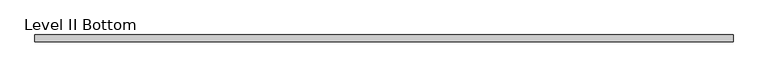
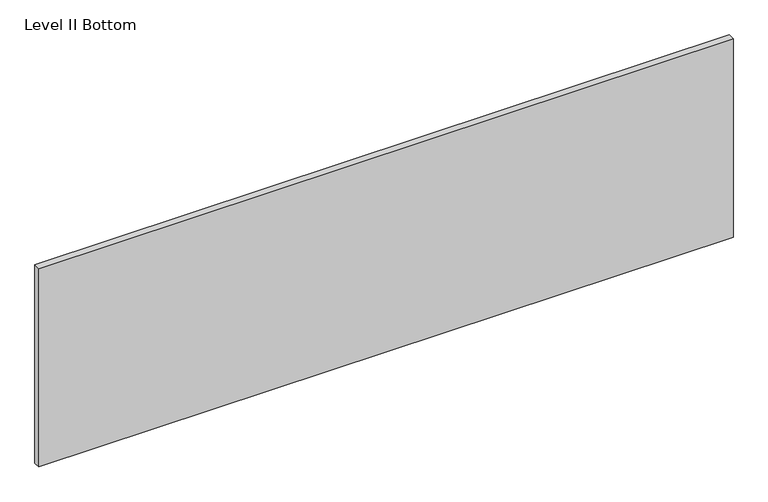
"""IFC4 building model written with IfcOpenShell, lengths in millimetres: proxy geometry, Level II Bottom."""

import ifcopenshell
import ifcopenshell.guid

model = None  # the IFC model being written
_history = None  # IfcOwnerHistory: only IFC2X3 demands one
_inside = {}  # id of a spatial element -> (the spatial element, [elements in it])
_under = {}  # id of a project, library or spatial element -> (it, [spatial elements below it])
_declared = {}  # id of a project -> (the project, [libraries it declares])
_typed = {}  # id of a type object -> (the type object, [elements of that type])
_made_of = {}  # id of a material, layer set ... -> (it, [elements and type objects made of it])


def new_model(schema):
    """Start an empty IFC model of exactly this schema.

    Asked for "IFC4X3", IfcOpenShell would pick the latest addendum, in which some entities
    have other attributes; the version numbers below select the first issue.
    IFC2X3 requires an IfcOwnerHistory on every rooted entity: one is made here for all.
    """
    global model, _history
    if schema == "IFC4X3":
        model = ifcopenshell.file(schema_version=(4, 3, 0, 0))
    else:
        model = ifcopenshell.file(schema=schema)
    _inside.clear()
    _under.clear()
    _declared.clear()
    _typed.clear()
    _made_of.clear()
    _history = None
    if model.schema == "IFC2X3":
        org = make("IfcOrganization", Name="unknown")
        user = make(
            "IfcPersonAndOrganization",
            ThePerson=make("IfcPerson", FamilyName="unknown"),
            TheOrganization=org,
        )
        app = make(
            "IfcApplication",
            ApplicationDeveloper=org,
            Version="unknown",
            ApplicationFullName="unknown",
            ApplicationIdentifier="unknown",
        )
        _history = make(
            "IfcOwnerHistory",
            OwningUser=user,
            OwningApplication=app,
            ChangeAction="ADDED",
            CreationDate=0,
        )
    return model


def make(cls, **values):
    """One entity of the class cls with the attributes given. An attribute that is None is left unset."""
    return model.create_entity(
        cls, **{name: value for name, value in values.items() if value is not None}
    )


def rooted(cls, **values):
    """An entity with a GlobalId (a new one), such as an element, a storey or a relation."""
    return make(cls, GlobalId=ifcopenshell.guid.new(), OwnerHistory=_history, **values)


def si_unit(unit_type, name, prefix=None):
    """IfcSIUnit, for example si_unit("LENGTHUNIT", "METRE", prefix="MILLI")."""
    return make("IfcSIUnit", UnitType=unit_type, Prefix=prefix, Name=name)


def assignment(units):
    """IfcUnitAssignment: the units of a project."""
    return None if units is None else make("IfcUnitAssignment", Units=units)


def point(xyz):
    """IfcCartesianPoint."""
    return None if xyz is None else make("IfcCartesianPoint", Coordinates=xyz)


def direction(xyz):
    """IfcDirection."""
    return None if xyz is None else make("IfcDirection", DirectionRatios=xyz)


def frame(location, z_axis=None, x_axis=None):
    """IfcAxis2Placement3D, a coordinate frame: its origin and axes. An axis left out is left unset."""
    return make(
        "IfcAxis2Placement3D",
        Location=point(location),
        Axis=direction(z_axis),
        RefDirection=direction(x_axis),
    )


def origin():
    """The frame at (0, 0, 0) with its axes left unset."""
    return frame((0.0, 0.0, 0.0))


def place(relative_to, where):
    """IfcLocalPlacement: puts the frame where relative to a parent placement (None: the world)."""
    return make(
        "IfcLocalPlacement", PlacementRelTo=relative_to, RelativePlacement=where
    )


def context(
    kind, dimensions, precision=None, world=None, true_north=None, identifier=None
):
    """IfcGeometricRepresentationContext, for example the 3D "Model" context."""
    return make(
        "IfcGeometricRepresentationContext",
        ContextIdentifier=identifier,
        ContextType=kind,
        CoordinateSpaceDimension=dimensions,
        Precision=precision,
        WorldCoordinateSystem=world,
        TrueNorth=true_north,
    )


def project(units=None, contexts=None):
    """IfcProject with its units and contexts."""
    return rooted(
        "IfcProject",
        Name="project",
        RepresentationContexts=contexts,
        UnitsInContext=assignment(units),
    )


def spatial(cls, under=None, at=None, **own):
    """A site, building, storey or space (cls), placed at a placement, below another one or the project."""
    s = rooted(cls, ObjectPlacement=at, **own)
    if under is not None:
        _under.setdefault(under.id(), (under, []))[1].append(s)
    return s


def polyline(points):
    """IfcPolyline through the points."""
    return make("IfcPolyline", Points=[point(p) for p in points])


def outline(outer, holes=None, kind="AREA"):
    """IfcArbitraryClosedProfileDef: a profile drawn as a closed curve; with holes, ...WithVoids."""
    if holes is None:
        return make("IfcArbitraryClosedProfileDef", ProfileType=kind, OuterCurve=outer)
    return make(
        "IfcArbitraryProfileDefWithVoids",
        ProfileType=kind,
        OuterCurve=outer,
        InnerCurves=holes,
    )


def extrude(swept, where, along, depth):
    """IfcExtrudedAreaSolid: the profile swept, set in the frame where, extruded along a direction by depth."""
    return make(
        "IfcExtrudedAreaSolid",
        SweptArea=swept,
        Position=where,
        ExtrudedDirection=direction(along),
        Depth=depth,
    )


def shape(context_of_items, identifier, shape_type, items):
    """IfcShapeRepresentation: the items that make up one representation, for example the "Body"."""
    return make(
        "IfcShapeRepresentation",
        ContextOfItems=context_of_items,
        RepresentationIdentifier=identifier,
        RepresentationType=shape_type,
        Items=items,
    )


def source(mapping_origin, context_of_items, identifier, shape_type, items):
    """IfcRepresentationMap: a shape defined once, which mapped items show again and again."""
    return make(
        "IfcRepresentationMap",
        MappingOrigin=mapping_origin,
        MappedRepresentation=shape(context_of_items, identifier, shape_type, items),
    )


def transform(
    local_origin,
    x_axis=None,
    y_axis=None,
    z_axis=None,
    scale=None,
    scale2=None,
    scale3=None,
    uniform=True,
):
    """IfcCartesianTransformationOperator3D, or its non-uniform kind. x_axis, y_axis, z_axis: its Axis1, 2, 3."""
    if uniform:
        return make(
            "IfcCartesianTransformationOperator3D",
            Axis1=direction(x_axis),
            Axis2=direction(y_axis),
            LocalOrigin=point(local_origin),
            Scale=scale,
            Axis3=direction(z_axis),
        )
    return make(
        "IfcCartesianTransformationOperator3DnonUniform",
        Axis1=direction(x_axis),
        Axis2=direction(y_axis),
        LocalOrigin=point(local_origin),
        Scale=scale,
        Axis3=direction(z_axis),
        Scale2=scale2,
        Scale3=scale3,
    )


def mapped(mapping_source, mapping_target):
    """IfcMappedItem: shows the shape of a source again, moved by a transform."""
    return make(
        "IfcMappedItem", MappingSource=mapping_source, MappingTarget=mapping_target
    )


def made_of(thing, what):
    """Note that an element or type object is made of a material, layer set ...; save() writes the relation."""
    if what is not None:
        _made_of.setdefault(what.id(), (what, []))[1].append(thing)
    return thing


def element(
    cls,
    number,
    at=None,
    inside=None,
    cuts=None,
    type_object=None,
    material=None,
    context=None,
    identifier="Body",
    shape_type=None,
    held_by="IfcProductDefinitionShape",
    body=None,
    shapes=None,
    **own,
):
    """One element of the class cls, such as IfcWall. Its Tag is "e" and its number.

    at: its placement. inside: the storey or other place that contains it. cuts: it is an
    opening in that element (IfcRelVoidsElement). A single representation is given by context,
    identifier, shape_type and body (its items); several are given by shapes. held_by: the class
    of the entity that holds the representations. save() writes the other relations.
    """
    e = rooted(cls, Tag="e%d" % number, ObjectPlacement=at, **own)
    if body is not None:
        shapes = [shape(context, identifier, shape_type, body)]
    if shapes is not None:
        e.Representation = make(held_by, Representations=shapes)
    if inside is not None:
        _inside.setdefault(inside.id(), (inside, []))[1].append(e)
    if cuts is not None:
        rooted(
            "IfcRelVoidsElement", RelatingBuildingElement=cuts, RelatedOpeningElement=e
        )
    if type_object is not None:
        _typed.setdefault(type_object.id(), (type_object, []))[1].append(e)
    return made_of(e, material)


def aggregate(whole, parts):
    """IfcRelAggregates: a whole, such as a stair, and the parts it consists of."""
    return rooted("IfcRelAggregates", RelatingObject=whole, RelatedObjects=parts)


def save(model, path):
    """Write the relations noted so far, then the file.

    IfcRelAggregates (storeys below a building ...), IfcRelContainedInSpatialStructure (elements
    in a storey), IfcRelDefinesByType, IfcRelAssociatesMaterial and IfcRelDeclares: one each for
    every whole, place, type object, material and project.
    """
    for whole, parts in _under.values():
        aggregate(whole, parts)
    for where, things in _inside.values():
        rooted(
            "IfcRelContainedInSpatialStructure",
            RelatedElements=things,
            RelatingStructure=where,
        )
    for kind, things in _typed.values():
        rooted("IfcRelDefinesByType", RelatedObjects=things, RelatingType=kind)
    for what, things in _made_of.values():
        rooted("IfcRelAssociatesMaterial", RelatedObjects=things, RelatingMaterial=what)
    for by, libraries in _declared.values():
        rooted("IfcRelDeclares", RelatingContext=by, RelatedDefinitions=libraries)
    model.write(path)


def level_ii_bottom_46093f10(model_context):
    return source(origin(), model_context, "Body", "SweptSolid", [
        extrude(outline(polyline([(998.8407125, -9.525), (-998.8407125, -9.525), (-998.8407125, 9.525), (998.8407125, 9.525), (998.8407125, -9.525)])), frame((0.0, 0.0, 3.175), z_axis=(0.0, 0.0, 1.0), x_axis=(1.0, 0.0, 0.0)), (0.0, 0.0, 1.0), 603.25),
    ])


if __name__ == "__main__":
    model = new_model("IFC4")
    model_context = context("Model", 3, world=origin())
    ifc_project = project(units=[si_unit("LENGTHUNIT", "METRE", prefix="MILLI")], contexts=[model_context])
    site = spatial("IfcSite", under=ifc_project)
    building = spatial("IfcBuilding", under=site)
    placement = place(None, origin())
    level_ii_bottom_shape = level_ii_bottom_46093f10(model_context)
    element("IfcBuildingElementProxy", 1, Name="Level II Bottom", ObjectType="Level II Bottom", at=placement, inside=building, context=model_context, shape_type="MappedRepresentation", body=[
        mapped(level_ii_bottom_shape, transform((0.0, 0.0, 0.0), x_axis=(1.0, 0.0, 0.0), y_axis=(0.0, 1.0, 0.0), z_axis=(0.0, 0.0, 1.0))),
    ])
    save(model, "model.ifc")
